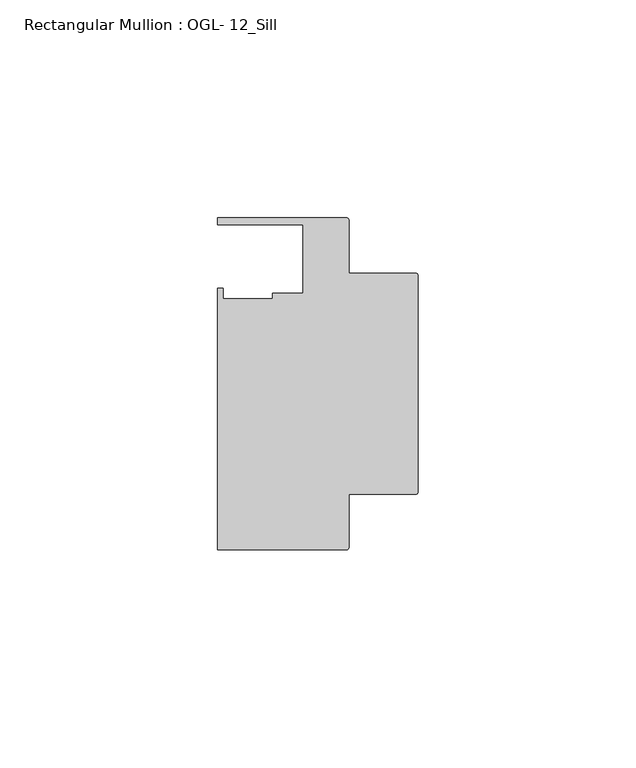
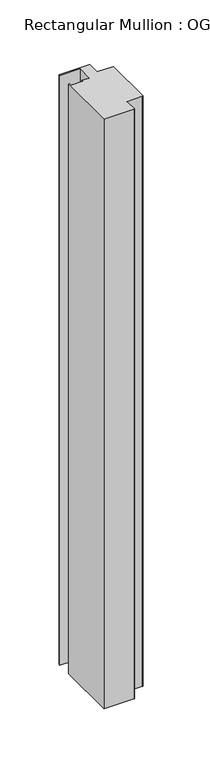
"""IFC4 building model written with IfcOpenShell, lengths in millimetres: member geometry, Rectangular Mullion : OGL- 12_Sill."""

from ifc_helpers import new_model, si_unit, point, frame, frame_2d, origin, place, context, project, spatial, polyline, circle_curve, trimmed, segment, composite_curve, outline, extrude, source, transform, mapped, element, save


def rectangular_mullion_ogl_12_sill_5196be25(model_context):
    return source(origin(), model_context, "Body", "SweptSolid", [
        extrude(outline(composite_curve([segment(polyline([(-0.5953125, -25.4), (-15.8750672, -25.4), (-15.8750672, -37.5043667)]), True, "CONTINUOUS"), segment(trimmed(circle_curve(frame_2d((-16.4703797, -37.5043667)), 0.5953125), [point((-15.8750672, -37.5043667))], [point((-16.4703797, -38.0996792))], False, "CARTESIAN"), True, "CONTINUOUS"), segment(polyline([(-16.4703797, -38.0996792), (-46.0339598, -38.0996792), (-46.0339598, 21.9710976), (-44.7780305, 21.9710976), (-44.7780305, 19.4824275), (-33.3985545, 19.4824275), (-33.3985545, 20.8257348), (-26.3720794, 20.8257348), (-26.3720794, 36.512516), (-46.0248655, 36.512516), (-46.0248655, 38.100016), (-16.4703797, 38.100016)]), True, "CONTINUOUS"), segment(trimmed(circle_curve(frame_2d((-16.4703797, 37.5047035)), 0.5953125), [point((-16.4703797, 38.100016))], [point((-15.8750672, 37.5047035))], False, "CARTESIAN"), True, "CONTINUOUS"), segment(polyline([(-15.8750672, 37.5047035), (-15.8750672, 25.4), (-0.5953125, 25.4)]), True, "CONTINUOUS"), segment(trimmed(circle_curve(frame_2d((-0.5953125, 24.8046875)), 0.5953125), [point((-0.5953125, 25.4))], [point((0.0, 24.8046875))], False, "CARTESIAN"), True, "CONTINUOUS"), segment(polyline([(0.0, 24.8046875), (0.0, -24.8046875)]), True, "CONTINUOUS"), segment(trimmed(circle_curve(frame_2d((-0.5953125, -24.8046875)), 0.5953125), [point((0.0, -24.8046875))], [point((-0.5953125, -25.4))], False, "CARTESIAN"), True, "CONTINUOUS")], self_intersect=False)), frame((0.0, 0.0, -609.6), z_axis=(0.0, 0.0, 1.0), x_axis=(1.0, 0.0, 0.0)), (0.0, 0.0, 1.0), 609.6),
    ])


if __name__ == "__main__":
    model = new_model("IFC4")
    model_context = context("Model", 3, world=origin())
    ifc_project = project(units=[si_unit("LENGTHUNIT", "METRE", prefix="MILLI")], contexts=[model_context])
    site = spatial("IfcSite", under=ifc_project)
    building = spatial("IfcBuilding", under=site)
    placement = place(None, origin())
    rectangular_mullion_ogl_12_sill_shape = rectangular_mullion_ogl_12_sill_5196be25(model_context)
    element("IfcMember", 1, ObjectType="Rectangular Mullion : OGL- 12_Sill", at=placement, inside=building, context=model_context, shape_type="MappedRepresentation", body=[
        mapped(rectangular_mullion_ogl_12_sill_shape, transform((0.0, 0.0, 0.0), x_axis=(1.0, 0.0, 0.0), y_axis=(0.0, 1.0, 0.0), z_axis=(0.0, 0.0, 1.0))),
    ])
    save(model, "model.ifc")
